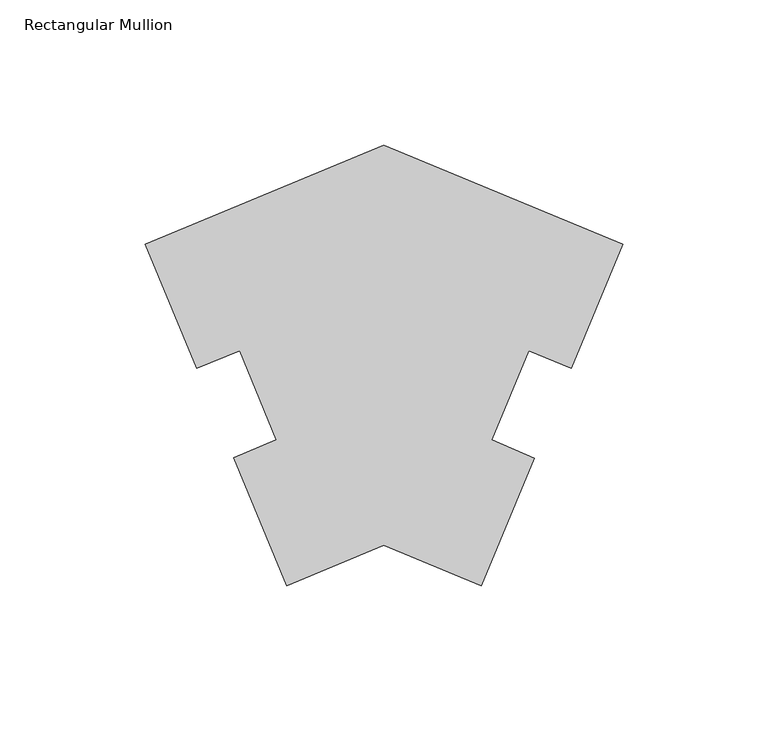
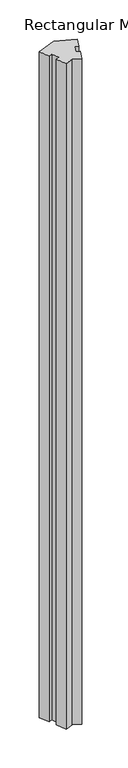
"""IFC4 building model written with IfcOpenShell, lengths in millimetres: member geometry, Rectangular Mullion."""

from ifc_helpers import new_model, si_unit, frame, origin, place, context, project, spatial, polyline, outline, extrude, source, transform, mapped, element, save


def rectangular_mullion_cbe87615(model_context):
    return source(origin(), model_context, "Body", "SweptSolid", [
        extrude(outline(polyline([(0.0, -34.0056965), (-17.6286728, -76.6019089), (-32.2971171, -70.5312939), (-44.9950685, -101.21339), (-30.4008285, -107.4633058), (-48.564922, -151.3532566), (-81.9882458, -137.5088626), (-115.4115724, -151.3532578), (-133.5695378, -107.4527912), (-118.9740242, -101.2058503), (-131.6339358, -70.5980145), (-146.3036172, -76.6656394), (-163.9525783, -33.9957913), (-81.9882458, -0.0450532), (0.0, -34.0056965)])), frame((0.0, 0.0, -3048.0), z_axis=(0.0, 0.0, 1.0), x_axis=(1.0, 0.0, 0.0)), (0.0, 0.0, 1.0), 3048.0),
    ])


if __name__ == "__main__":
    model = new_model("IFC4")
    model_context = context("Model", 3, world=origin())
    ifc_project = project(units=[si_unit("LENGTHUNIT", "METRE", prefix="MILLI")], contexts=[model_context])
    site = spatial("IfcSite", under=ifc_project)
    building = spatial("IfcBuilding", under=site)
    placement = place(None, origin())
    rectangular_mullion_shape = rectangular_mullion_cbe87615(model_context)
    element("IfcMember", 1, ObjectType="Rectangular Mullion", at=placement, inside=building, context=model_context, shape_type="MappedRepresentation", body=[
        mapped(rectangular_mullion_shape, transform((0.0, 0.0, 0.0), x_axis=(1.0, 0.0, 0.0), y_axis=(0.0, 1.0, 0.0), z_axis=(0.0, 0.0, 1.0))),
    ])
    save(model, "model.ifc")
